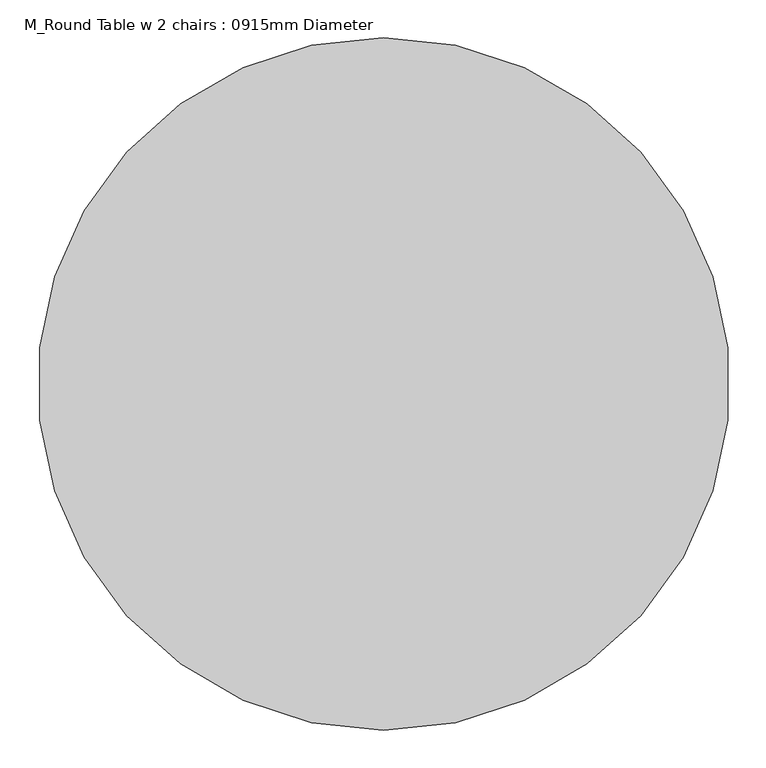
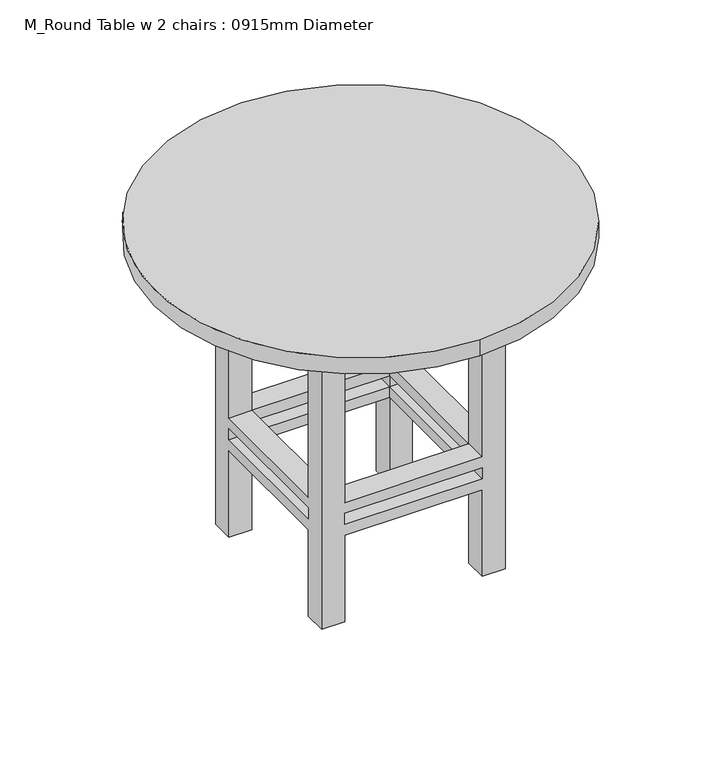
"""IFC4 building model written with IfcOpenShell, lengths in millimetres: furniture geometry, M_Round Table w 2 chairs : 0915mm Diameter."""

from ifc_helpers import new_model, si_unit, point, frame, frame_2d, origin, place, context, project, spatial, polyline, circle_curve, trimmed, segment, composite_curve, outline, extrude, faceted_brep, source, transform, mapped, element, save


def m_round_table_w_2_chairs_0915mm_diameter_5defa876(model_context):
    return source(origin(), model_context, "Body", "SolidModel", [
        faceted_brep([(-48.8680328, 18.4713115, 647.7), (-99.6680328, 18.4713115, 647.7), (-99.6680328, -32.3286885, 647.7), (-48.8680328, -32.3286885, 647.7), (256.2319672, 18.4713115, 647.7), (256.2319672, -32.3286885, 647.7), (307.0319672, -32.3286885, 647.7), (307.0319672, 18.4713115, 647.7), (256.2319672, -388.2286885, 647.7), (307.0319672, -388.2286885, 647.7), (307.0319672, -337.4286885, 647.7), (256.2319672, -337.4286885, 647.7), (-48.8680328, -388.2286885, 647.7), (-48.8680328, -337.4286885, 647.7), (-99.6680328, -337.4286885, 647.7), (-99.6680328, -388.2286885, 647.7), (-48.8680328, 18.4713115, 0.0), (-48.8680328, -32.3286885, 0.0), (-99.6680328, -32.3286885, 0.0), (-99.6680328, 18.4713115, 0.0), (256.2319672, 18.4713115, 0.0), (307.0319672, 18.4713115, 0.0), (307.0319672, -32.3286885, 0.0), (256.2319672, -32.3286885, 0.0), (256.2319672, -388.2286885, 0.0), (256.2319672, -337.4286885, 0.0), (307.0319672, -337.4286885, 0.0), (307.0319672, -388.2286885, 0.0), (-48.8680328, -388.2286885, 0.0), (-99.6680328, -388.2286885, 0.0), (-99.6680328, -337.4286885, 0.0), (-48.8680328, -337.4286885, 0.0), (-48.8680328, 18.4713115, 279.4), (256.2319672, 18.4713115, 279.4), (256.2319672, 18.4713115, 203.2), (-48.8680328, 18.4713115, 203.2), (256.2319672, 18.4713115, 228.6), (256.2319672, 18.4713115, 254.0), (-48.8680328, 18.4713115, 254.0), (-48.8680328, 18.4713115, 228.6), (-99.6680328, -32.3286885, 203.2), (-99.6680328, -337.4286885, 203.2), (-99.6680328, -337.4286885, 279.4), (-99.6680328, -32.3286885, 279.4), (-99.6680328, -32.3286885, 228.6), (-99.6680328, -32.3286885, 254.0), (-99.6680328, -337.4286885, 254.0), (-99.6680328, -337.4286885, 228.6), (-48.8680328, -32.3286885, 279.4), (-48.8680328, -32.3286885, 203.2), (-48.8680328, -32.3286885, 228.6), (-48.8680328, -32.3286885, 254.0), (256.2319672, -32.3286885, 279.4), (256.2319672, -32.3286885, 203.2), (256.2319672, -32.3286885, 228.6), (256.2319672, -32.3286885, 254.0), (307.0319672, -32.3286885, 279.4), (307.0319672, -32.3286885, 203.2), (307.0319672, -32.3286885, 228.6), (307.0319672, -32.3286885, 254.0), (307.0319672, -337.4286885, 279.4), (307.0319672, -337.4286885, 203.2), (307.0319672, -337.4286885, 228.6), (307.0319672, -337.4286885, 254.0), (256.2319672, -388.2286885, 279.4), (-48.8680328, -388.2286885, 279.4), (-48.8680328, -388.2286885, 203.2), (256.2319672, -388.2286885, 203.2), (-48.8680328, -388.2286885, 228.6), (-48.8680328, -388.2286885, 254.0), (256.2319672, -388.2286885, 254.0), (256.2319672, -388.2286885, 228.6), (256.2319672, -337.4286885, 279.4), (256.2319672, -337.4286885, 203.2), (256.2319672, -337.4286885, 228.6), (256.2319672, -337.4286885, 254.0), (-48.8680328, -337.4286885, 279.4), (-48.8680328, -337.4286885, 203.2), (-48.8680328, -337.4286885, 228.6), (-48.8680328, -337.4286885, 254.0)], [[[0, 1, 2, 3]], [[4, 5, 6, 7]], [[8, 9, 10, 11]], [[12, 13, 14, 15]], [[16, 17, 18, 19]], [[20, 21, 22, 23]], [[24, 25, 26, 27]], [[28, 29, 30, 31]], [[1, 0, 32, 33, 4, 7, 21, 20, 34, 35, 16, 19], [36, 37, 38, 39]], [[2, 1, 19, 18, 40, 41, 30, 29, 15, 14, 42, 43], [44, 45, 46, 47]], [[3, 2, 43, 48]], [[18, 17, 49, 40]], [[44, 50, 51, 45]], [[0, 3, 48, 32]], [[17, 16, 35, 49]], [[50, 39, 38, 51]], [[5, 4, 33, 52]], [[20, 23, 53, 34]], [[36, 54, 55, 37]], [[6, 5, 52, 56]], [[23, 22, 57, 53]], [[54, 58, 59, 55]], [[21, 7, 6, 56, 60, 10, 9, 27, 26, 61, 57, 22], [62, 63, 59, 58]], [[27, 9, 8, 64, 65, 12, 15, 29, 28, 66, 67, 24], [68, 69, 70, 71]], [[11, 10, 60, 72]], [[26, 25, 73, 61]], [[62, 74, 75, 63]], [[8, 11, 72, 64]], [[25, 24, 67, 73]], [[74, 71, 70, 75]], [[13, 12, 65, 76]], [[28, 31, 77, 66]], [[68, 78, 79, 69]], [[14, 13, 76, 42]], [[31, 30, 41, 77]], [[78, 47, 46, 79]], [[54, 74, 62, 58]], [[74, 78, 68, 71]], [[78, 50, 44, 47]], [[50, 54, 36, 39]], [[53, 49, 35, 34]], [[49, 77, 41, 40]], [[77, 73, 67, 66]], [[73, 53, 57, 61]], [[74, 54, 53, 73]], [[78, 74, 73, 77]], [[50, 78, 77, 49]], [[54, 50, 49, 53]], [[52, 72, 60, 56]], [[72, 76, 65, 64]], [[76, 48, 43, 42]], [[48, 52, 33, 32]], [[55, 51, 38, 37]], [[51, 79, 46, 45]], [[79, 75, 70, 69]], [[75, 55, 59, 63]], [[72, 52, 55, 75]], [[76, 72, 75, 79]], [[48, 76, 79, 51]], [[52, 48, 51, 55]]]),
        extrude(outline(polyline([(332.4319672, 43.8713115), (332.4319672, -413.6286885), (-125.0680328, -413.6286885), (-125.0680328, 43.8713115), (332.4319672, 43.8713115)]), holes=[polyline([(307.0319672, 18.4713115), (-99.6680328, 18.4713115), (-99.6680328, -388.2286885), (307.0319672, -388.2286885), (307.0319672, 18.4713115)])]), frame((0.0, 0.0, 647.7), z_axis=(0.0, 0.0, 1.0), x_axis=(1.0, 0.0, 0.0)), (0.0, 0.0, 1.0), 76.2),
        extrude(outline(composite_curve([segment(trimmed(circle_curve(frame_2d((103.6819672, -184.8786885)), 457.5), [point((103.6819672, -642.3786885))], [point((103.6819672, 272.6213115))], False, "CARTESIAN"), True, "CONTINUOUS"), segment(trimmed(circle_curve(frame_2d((103.6819672, -184.8786885)), 457.5), [point((103.6819672, 272.6213115))], [point((103.6819672, -642.3786885))], False, "CARTESIAN"), True, "CONTINUOUS")], self_intersect=False)), frame((0.0, 0.0, 723.9), z_axis=(0.0, 0.0, 1.0), x_axis=(1.0, 0.0, 0.0)), (0.0, 0.0, 1.0), 38.1),
    ])


if __name__ == "__main__":
    model = new_model("IFC4")
    model_context = context("Model", 3, world=origin())
    ifc_project = project(units=[si_unit("LENGTHUNIT", "METRE", prefix="MILLI")], contexts=[model_context])
    site = spatial("IfcSite", under=ifc_project)
    building = spatial("IfcBuilding", under=site)
    placement = place(None, origin())
    m_round_table_w_2_chairs_0915mm_diameter_shape = m_round_table_w_2_chairs_0915mm_diameter_5defa876(model_context)
    element("IfcFurniture", 1, ObjectType="M_Round Table w 2 chairs : 0915mm Diameter", at=placement, inside=building, context=model_context, shape_type="MappedRepresentation", body=[
        mapped(m_round_table_w_2_chairs_0915mm_diameter_shape, transform((0.0, 0.0, 0.0), x_axis=(1.0, 0.0, 0.0), y_axis=(0.0, 1.0, 0.0), z_axis=(0.0, 0.0, 1.0))),
    ])
    save(model, "model.ifc")
